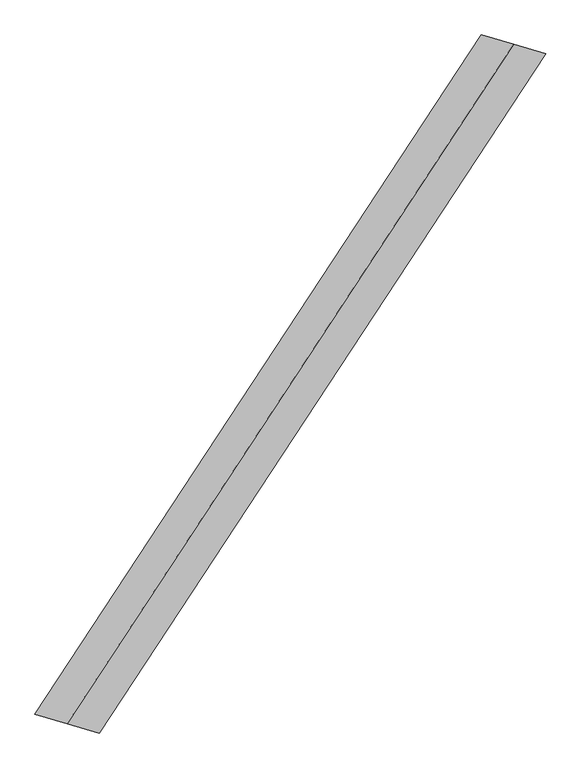
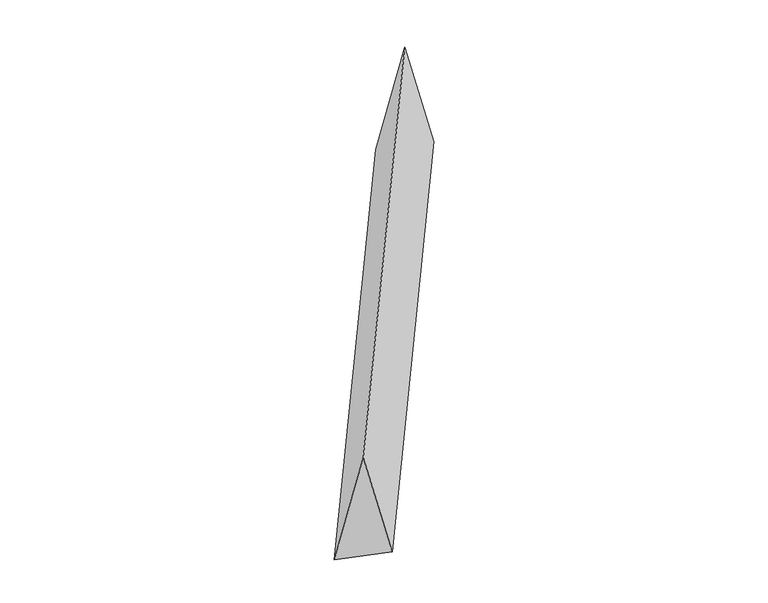
"""IFC4 building model written with IfcOpenShell, lengths in millimetres: proxy geometry."""

from ifc_helpers import new_model, si_unit, origin, place, context, project, spatial, faceted_brep, source, transform, mapped, element, save


def generic_models_575a72b1(model_context):
    return source(origin(), model_context, "Body", "Brep", [
        faceted_brep([(-1147.9321098, -1746.4158888, 700.0), (-982.2750498, -1795.3285583, 0.0), (1313.5891697, 1697.5032193, 0.0), (1147.9321098, 1746.4158888, 700.0), (-1313.5891697, -1697.5032193, 0.0), (982.2750498, 1795.3285583, 0.0)], [[[0, 1, 2, 3]], [[1, 4, 5, 2]], [[4, 0, 3, 5]], [[3, 2, 5]], [[0, 4, 1]]]),
    ])


if __name__ == "__main__":
    model = new_model("IFC4")
    model_context = context("Model", 3, world=origin())
    ifc_project = project(units=[si_unit("LENGTHUNIT", "METRE", prefix="MILLI")], contexts=[model_context])
    site = spatial("IfcSite", under=ifc_project)
    building = spatial("IfcBuilding", under=site)
    placement = place(None, origin())
    generic_models_shape = generic_models_575a72b1(model_context)
    element("IfcBuildingElementProxy", 1, Name="Generic Models", at=placement, inside=building, context=model_context, shape_type="MappedRepresentation", body=[
        mapped(generic_models_shape, transform((0.0, 0.0, 0.0), x_axis=(1.0, 0.0, 0.0), y_axis=(0.0, 1.0, 0.0), z_axis=(0.0, 0.0, 1.0))),
    ])
    save(model, "model.ifc")
